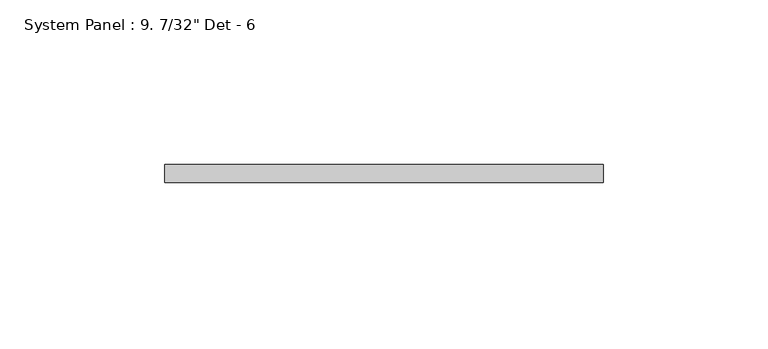
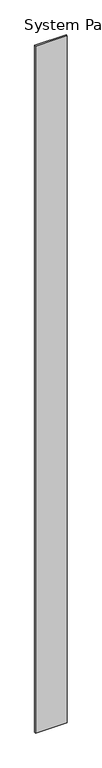
"""IFC4 building model written with IfcOpenShell, lengths in millimetres: plate geometry."""

from ifc_helpers import new_model, si_unit, origin, origin_with_axes, place, context, project, spatial, polyline, outline, extrude, source, transform, mapped, element, save


def plate_c1ad490e(model_context):
    return source(origin(), model_context, "Body", "SweptSolid", [
        extrude(outline(polyline([(66.675, -5.55625), (-66.675, -5.55625), (-66.675, 0.0), (66.675, 0.0), (66.675, -5.55625)])), origin_with_axes(), (0.0, 0.0, 1.0), 3048.0),
    ])


if __name__ == "__main__":
    model = new_model("IFC4")
    model_context = context("Model", 3, world=origin())
    ifc_project = project(units=[si_unit("LENGTHUNIT", "METRE", prefix="MILLI")], contexts=[model_context])
    site = spatial("IfcSite", under=ifc_project)
    building = spatial("IfcBuilding", under=site)
    placement = place(None, origin())
    plate_shape = plate_c1ad490e(model_context)
    element("IfcPlate", 1, ObjectType="System Panel : 9. 7/32\" Det - 6", at=placement, inside=building, context=model_context, shape_type="MappedRepresentation", body=[
        mapped(plate_shape, transform((0.0, 0.0, 0.0), x_axis=(1.0, 0.0, 0.0), y_axis=(0.0, 1.0, 0.0), z_axis=(0.0, 0.0, 1.0))),
    ])
    save(model, "model.ifc")
